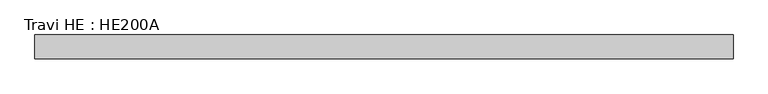
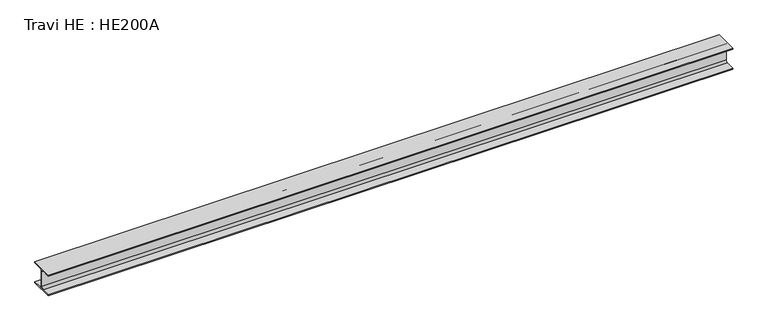
"""IFC4 building model written with IfcOpenShell, lengths in millimetres: beam geometry, Travi HE : HE200A."""

from ifc_helpers import new_model, si_unit, point, frame, frame_2d, origin, place, context, project, spatial, polyline, circle_curve, trimmed, segment, composite_curve, outline, extrude, source, transform, mapped, element, save


def travi_he_he200a_ad323c8a(model_context):
    return source(origin(), model_context, "Body", "SweptSolid", [
        extrude(outline(composite_curve([segment(polyline([(100.0, -85.0), (100.0, -95.0), (-100.0, -95.0), (-100.0, -85.0), (-21.25, -85.0)]), True, "CONTINUOUS"), segment(trimmed(circle_curve(frame_2d((-21.25, -67.0)), 18.0), [point((-21.25, -85.0))], [point((-3.25, -67.0))], True, "CARTESIAN"), True, "CONTINUOUS"), segment(polyline([(-3.25, -67.0), (-3.25, 67.0)]), True, "CONTINUOUS"), segment(trimmed(circle_curve(frame_2d((-21.25, 67.0)), 18.0), [point((-3.25, 67.0))], [point((-21.25, 85.0))], True, "CARTESIAN"), True, "CONTINUOUS"), segment(polyline([(-21.25, 85.0), (-100.0, 85.0), (-100.0, 95.0), (100.0, 95.0), (100.0, 85.0), (21.25, 85.0)]), True, "CONTINUOUS"), segment(trimmed(circle_curve(frame_2d((21.25, 67.0)), 18.0), [point((21.25, 85.0))], [point((3.25, 67.0))], True, "CARTESIAN"), True, "CONTINUOUS"), segment(polyline([(3.25, 67.0), (3.25, -67.0)]), True, "CONTINUOUS"), segment(trimmed(circle_curve(frame_2d((21.25, -67.0)), 18.0), [point((3.25, -67.0))], [point((21.25, -85.0))], True, "CARTESIAN"), True, "CONTINUOUS"), segment(polyline([(21.25, -85.0), (100.0, -85.0)]), True, "CONTINUOUS")], self_intersect=False)), frame((-2937.0, 0.0, 0.0), z_axis=(1.0, 0.0, 0.0), x_axis=(0.0, 1.0, 0.0)), (0.0, 0.0, 1.0), 5874.0),
    ])


if __name__ == "__main__":
    model = new_model("IFC4")
    model_context = context("Model", 3, world=origin())
    ifc_project = project(units=[si_unit("LENGTHUNIT", "METRE", prefix="MILLI")], contexts=[model_context])
    site = spatial("IfcSite", under=ifc_project)
    building = spatial("IfcBuilding", under=site)
    placement = place(None, origin())
    travi_he_he200a_shape = travi_he_he200a_ad323c8a(model_context)
    element("IfcBeam", 1, ObjectType="Travi HE : HE200A", at=placement, inside=building, context=model_context, shape_type="MappedRepresentation", body=[
        mapped(travi_he_he200a_shape, transform((0.0, 0.0, 0.0), x_axis=(1.0, 0.0, 0.0), y_axis=(0.0, 1.0, 0.0), z_axis=(0.0, 0.0, 1.0))),
    ])
    save(model, "model.ifc")
